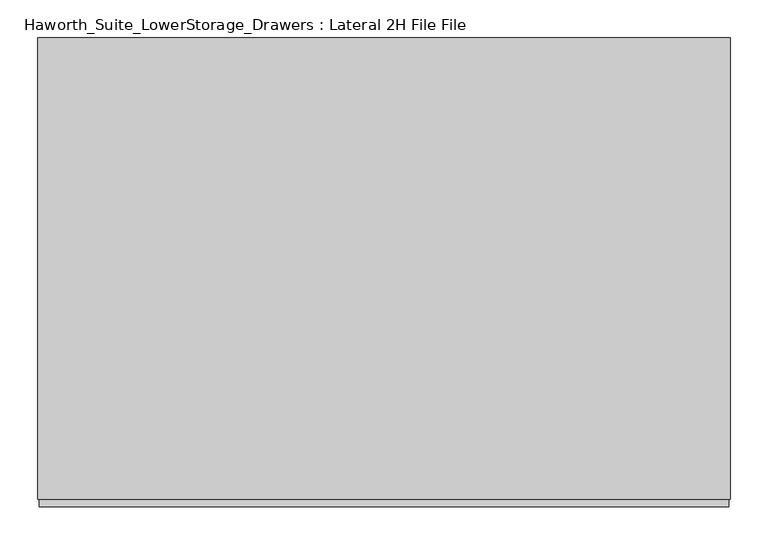
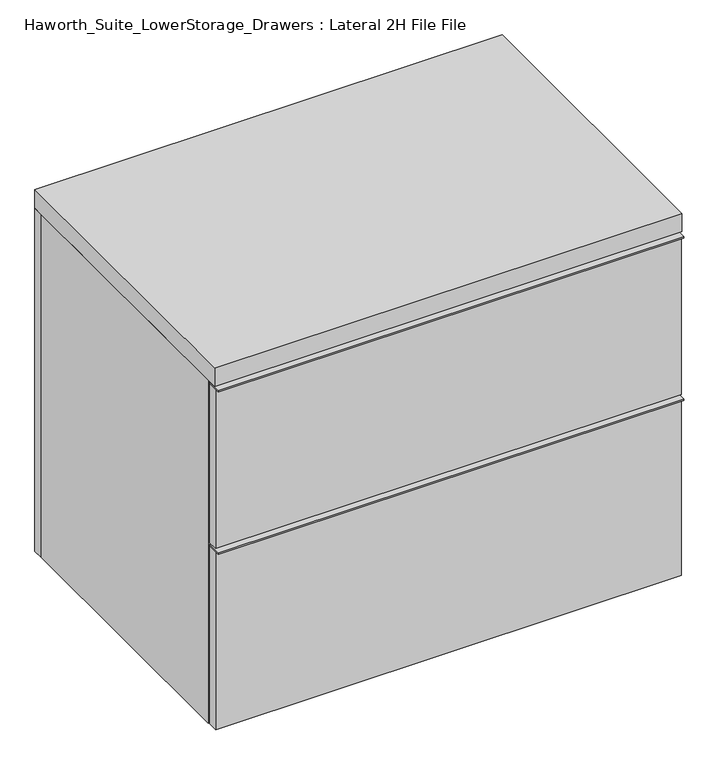
"""IFC4 building model written with IfcOpenShell, lengths in millimetres: furniture geometry, Haworth_Suite_LowerStorage_Drawers : Lateral 2H File File."""

from ifc_helpers import new_model, si_unit, frame, origin, origin_with_axes, place, context, project, spatial, polyline, outline, extrude, source, transform, mapped, element, save


def haworth_suite_lowerstorage_drawers_lateral_2h_file_file_944e6278(model_context):
    return source(origin(), model_context, "Body", "SweptSolid", [
        extrude(outline(polyline([(442.9125, -631.825), (-468.3125, -631.825), (-468.3125, -603.25), (442.9125, -603.25), (442.9125, -631.825)])), frame((0.0, 0.0, 704.85), z_axis=(0.0, 0.0, 1.0), x_axis=(1.0, 0.0, 0.0)), (0.0, 0.0, 1.0), 3.175),
        extrude(outline(polyline([(442.9125, -603.25), (442.9125, -622.3), (-468.3125, -622.3), (-468.3125, -603.25), (442.9125, -603.25)])), frame((0.0, 0.0, 374.65), z_axis=(0.0, 0.0, 1.0), x_axis=(1.0, 0.0, 0.0)), (0.0, 0.0, 1.0), 330.2),
        extrude(outline(polyline([(442.9125, -631.825), (-468.3125, -631.825), (-468.3125, -603.25), (442.9125, -603.25), (442.9125, -631.825)])), frame((0.0, 0.0, 368.3), z_axis=(0.0, 0.0, 1.0), x_axis=(1.0, 0.0, 0.0)), (0.0, 0.0, 1.0), 3.175),
        extrude(outline(polyline([(442.9125, -603.25), (442.9125, -622.3), (-468.3125, -622.3), (-468.3125, -603.25), (442.9125, -603.25)])), origin_with_axes(), (0.0, 0.0, 1.0), 368.3),
        extrude(outline(polyline([(406.4, -587.375), (406.4, -206.375), (419.1, -206.375), (419.1, -587.375), (406.4, -587.375)])), frame((0.0, 0.0, 374.65), z_axis=(0.0, 0.0, 1.0), x_axis=(1.0, 0.0, 0.0)), (0.0, 0.0, 1.0), 254.0),
        extrude(outline(polyline([(-444.5, -206.375), (-431.8, -206.375), (-431.8, -587.375), (-444.5, -587.375), (-444.5, -206.375)])), frame((0.0, 0.0, 374.65), z_axis=(0.0, 0.0, 1.0), x_axis=(1.0, 0.0, 0.0)), (0.0, 0.0, 1.0), 254.0),
        extrude(outline(polyline([(-444.5, -206.375), (-444.5, -193.675), (419.1, -193.675), (419.1, -206.375), (-444.5, -206.375)])), frame((0.0, 0.0, 374.65), z_axis=(0.0, 0.0, 1.0), x_axis=(1.0, 0.0, 0.0)), (0.0, 0.0, 1.0), 254.0),
        extrude(outline(polyline([(-444.5, -600.075), (-444.5, -587.375), (419.1, -587.375), (419.1, -600.075), (-444.5, -600.075)])), frame((0.0, 0.0, 374.65), z_axis=(0.0, 0.0, 1.0), x_axis=(1.0, 0.0, 0.0)), (0.0, 0.0, 1.0), 254.0),
        extrude(outline(polyline([(-431.8, -587.375), (-431.8, -206.375), (406.4, -206.375), (406.4, -587.375), (-431.8, -587.375)])), frame((0.0, 0.0, 374.65), z_axis=(0.0, 0.0, 1.0), x_axis=(1.0, 0.0, 0.0)), (0.0, 0.0, 1.0), 12.7),
        extrude(outline(polyline([(406.4, -587.375), (406.4, -206.375), (419.1, -206.375), (419.1, -587.375), (406.4, -587.375)])), frame((0.0, 0.0, 50.8), z_axis=(0.0, 0.0, 1.0), x_axis=(1.0, 0.0, 0.0)), (0.0, 0.0, 1.0), 254.0),
        extrude(outline(polyline([(-444.5, -206.375), (-431.8, -206.375), (-431.8, -587.375), (-444.5, -587.375), (-444.5, -206.375)])), frame((0.0, 0.0, 50.8), z_axis=(0.0, 0.0, 1.0), x_axis=(1.0, 0.0, 0.0)), (0.0, 0.0, 1.0), 254.0),
        extrude(outline(polyline([(-444.5, -206.375), (-444.5, -193.675), (419.1, -193.675), (419.1, -206.375), (-444.5, -206.375)])), frame((0.0, 0.0, 50.8), z_axis=(0.0, 0.0, 1.0), x_axis=(1.0, 0.0, 0.0)), (0.0, 0.0, 1.0), 254.0),
        extrude(outline(polyline([(-444.5, -600.075), (-444.5, -587.375), (419.1, -587.375), (419.1, -600.075), (-444.5, -600.075)])), frame((0.0, 0.0, 50.8), z_axis=(0.0, 0.0, 1.0), x_axis=(1.0, 0.0, 0.0)), (0.0, 0.0, 1.0), 254.0),
        extrude(outline(polyline([(-431.8, -587.375), (-431.8, -206.375), (406.4, -206.375), (406.4, -587.375), (-431.8, -587.375)])), frame((0.0, 0.0, 50.8), z_axis=(0.0, 0.0, 1.0), x_axis=(1.0, 0.0, 0.0)), (0.0, 0.0, 1.0), 12.7),
        extrude(outline(polyline([(444.5, -12.7), (444.5, -622.3), (-469.9, -622.3), (-469.9, -12.7), (444.5, -12.7)])), frame((0.0, 0.0, 711.2), z_axis=(0.0, 0.0, 1.0), x_axis=(1.0, 0.0, 0.0)), (0.0, 0.0, 1.0), 38.1),
        extrude(outline(polyline([(692.15, 425.45), (692.15, -450.85), (38.1, -450.85), (38.1, 425.45), (692.15, 425.45)]), holes=[polyline([(590.55, 323.85), (139.7, 323.85), (139.7, -349.25), (590.55, -349.25), (590.55, 323.85)])]), frame((0.0, -152.4, 0.0), z_axis=(0.0, 1.0, 0.0), x_axis=(0.0, 0.0, 1.0)), (0.0, 0.0, 1.0), 19.05),
        extrude(outline(polyline([(444.5, -12.7), (444.5, -31.75), (-469.9, -31.75), (-469.9, -12.7), (444.5, -12.7)])), origin_with_axes(), (0.0, 0.0, 1.0), 711.2),
        extrude(outline(polyline([(425.45, -133.35), (425.45, -501.65), (-450.85, -501.65), (-450.85, -133.35), (425.45, -133.35)])), frame((0.0, 0.0, 692.15), z_axis=(0.0, 0.0, 1.0), x_axis=(1.0, 0.0, 0.0)), (0.0, 0.0, 1.0), 19.05),
        extrude(outline(polyline([(425.45, -31.75), (425.45, -600.075), (-450.85, -600.075), (-450.85, -31.75), (425.45, -31.75)])), origin_with_axes(), (0.0, 0.0, 1.0), 38.1),
        extrude(outline(polyline([(-450.85, -31.75), (-450.85, -600.075), (-469.9, -600.075), (-469.9, -31.75), (-450.85, -31.75)])), origin_with_axes(), (0.0, 0.0, 1.0), 711.2),
        extrude(outline(polyline([(444.5, -600.075), (425.45, -600.075), (425.45, -31.75), (444.5, -31.75), (444.5, -600.075)])), origin_with_axes(), (0.0, 0.0, 1.0), 711.2),
    ])


if __name__ == "__main__":
    model = new_model("IFC4")
    model_context = context("Model", 3, world=origin())
    ifc_project = project(units=[si_unit("LENGTHUNIT", "METRE", prefix="MILLI")], contexts=[model_context])
    site = spatial("IfcSite", under=ifc_project)
    building = spatial("IfcBuilding", under=site)
    placement = place(None, origin())
    haworth_suite_lowerstorage_drawers_lateral_2h_file_file_shape = haworth_suite_lowerstorage_drawers_lateral_2h_file_file_944e6278(model_context)
    element("IfcFurniture", 1, ObjectType="Haworth_Suite_LowerStorage_Drawers : Lateral 2H File File", at=placement, inside=building, context=model_context, shape_type="MappedRepresentation", body=[
        mapped(haworth_suite_lowerstorage_drawers_lateral_2h_file_file_shape, transform((0.0, 0.0, 0.0), x_axis=(1.0, 0.0, 0.0), y_axis=(0.0, 1.0, 0.0), z_axis=(0.0, 0.0, 1.0))),
    ])
    save(model, "model.ifc")
